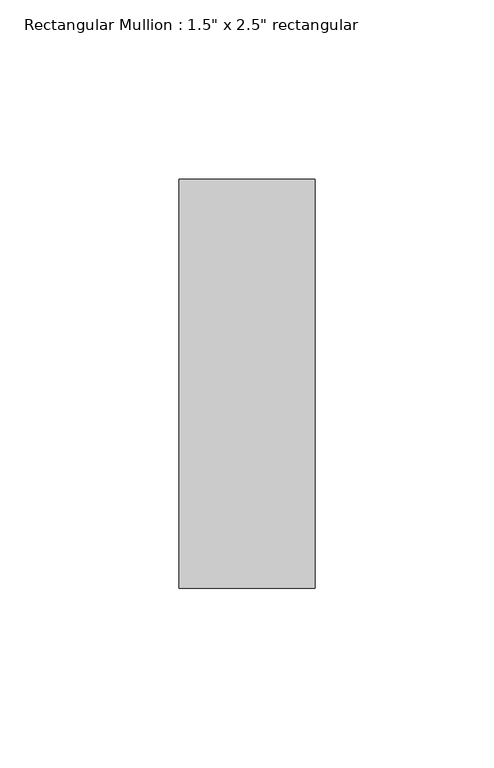
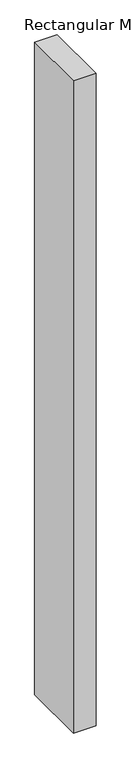
"""IFC4 building model written with IfcOpenShell, lengths in millimetres: member geometry."""

import ifcopenshell
import ifcopenshell.guid

model = None  # the IFC model being written
_history = None  # IfcOwnerHistory: only IFC2X3 demands one
_inside = {}  # id of a spatial element -> (the spatial element, [elements in it])
_under = {}  # id of a project, library or spatial element -> (it, [spatial elements below it])
_declared = {}  # id of a project -> (the project, [libraries it declares])
_typed = {}  # id of a type object -> (the type object, [elements of that type])
_made_of = {}  # id of a material, layer set ... -> (it, [elements and type objects made of it])


def new_model(schema):
    """Start an empty IFC model of exactly this schema.

    Asked for "IFC4X3", IfcOpenShell would pick the latest addendum, in which some entities
    have other attributes; the version numbers below select the first issue.
    IFC2X3 requires an IfcOwnerHistory on every rooted entity: one is made here for all.
    """
    global model, _history
    if schema == "IFC4X3":
        model = ifcopenshell.file(schema_version=(4, 3, 0, 0))
    else:
        model = ifcopenshell.file(schema=schema)
    _inside.clear()
    _under.clear()
    _declared.clear()
    _typed.clear()
    _made_of.clear()
    _history = None
    if model.schema == "IFC2X3":
        org = make("IfcOrganization", Name="unknown")
        user = make(
            "IfcPersonAndOrganization",
            ThePerson=make("IfcPerson", FamilyName="unknown"),
            TheOrganization=org,
        )
        app = make(
            "IfcApplication",
            ApplicationDeveloper=org,
            Version="unknown",
            ApplicationFullName="unknown",
            ApplicationIdentifier="unknown",
        )
        _history = make(
            "IfcOwnerHistory",
            OwningUser=user,
            OwningApplication=app,
            ChangeAction="ADDED",
            CreationDate=0,
        )
    return model


def make(cls, **values):
    """One entity of the class cls with the attributes given. An attribute that is None is left unset."""
    return model.create_entity(
        cls, **{name: value for name, value in values.items() if value is not None}
    )


def rooted(cls, **values):
    """An entity with a GlobalId (a new one), such as an element, a storey or a relation."""
    return make(cls, GlobalId=ifcopenshell.guid.new(), OwnerHistory=_history, **values)


def si_unit(unit_type, name, prefix=None):
    """IfcSIUnit, for example si_unit("LENGTHUNIT", "METRE", prefix="MILLI")."""
    return make("IfcSIUnit", UnitType=unit_type, Prefix=prefix, Name=name)


def assignment(units):
    """IfcUnitAssignment: the units of a project."""
    return None if units is None else make("IfcUnitAssignment", Units=units)


def point(xyz):
    """IfcCartesianPoint."""
    return None if xyz is None else make("IfcCartesianPoint", Coordinates=xyz)


def direction(xyz):
    """IfcDirection."""
    return None if xyz is None else make("IfcDirection", DirectionRatios=xyz)


def frame(location, z_axis=None, x_axis=None):
    """IfcAxis2Placement3D, a coordinate frame: its origin and axes. An axis left out is left unset."""
    return make(
        "IfcAxis2Placement3D",
        Location=point(location),
        Axis=direction(z_axis),
        RefDirection=direction(x_axis),
    )


def origin():
    """The frame at (0, 0, 0) with its axes left unset."""
    return frame((0.0, 0.0, 0.0))


def place(relative_to, where):
    """IfcLocalPlacement: puts the frame where relative to a parent placement (None: the world)."""
    return make(
        "IfcLocalPlacement", PlacementRelTo=relative_to, RelativePlacement=where
    )


def context(
    kind, dimensions, precision=None, world=None, true_north=None, identifier=None
):
    """IfcGeometricRepresentationContext, for example the 3D "Model" context."""
    return make(
        "IfcGeometricRepresentationContext",
        ContextIdentifier=identifier,
        ContextType=kind,
        CoordinateSpaceDimension=dimensions,
        Precision=precision,
        WorldCoordinateSystem=world,
        TrueNorth=true_north,
    )


def project(units=None, contexts=None):
    """IfcProject with its units and contexts."""
    return rooted(
        "IfcProject",
        Name="project",
        RepresentationContexts=contexts,
        UnitsInContext=assignment(units),
    )


def spatial(cls, under=None, at=None, **own):
    """A site, building, storey or space (cls), placed at a placement, below another one or the project."""
    s = rooted(cls, ObjectPlacement=at, **own)
    if under is not None:
        _under.setdefault(under.id(), (under, []))[1].append(s)
    return s


def polyline(points):
    """IfcPolyline through the points."""
    return make("IfcPolyline", Points=[point(p) for p in points])


def outline(outer, holes=None, kind="AREA"):
    """IfcArbitraryClosedProfileDef: a profile drawn as a closed curve; with holes, ...WithVoids."""
    if holes is None:
        return make("IfcArbitraryClosedProfileDef", ProfileType=kind, OuterCurve=outer)
    return make(
        "IfcArbitraryProfileDefWithVoids",
        ProfileType=kind,
        OuterCurve=outer,
        InnerCurves=holes,
    )


def extrude(swept, where, along, depth):
    """IfcExtrudedAreaSolid: the profile swept, set in the frame where, extruded along a direction by depth."""
    return make(
        "IfcExtrudedAreaSolid",
        SweptArea=swept,
        Position=where,
        ExtrudedDirection=direction(along),
        Depth=depth,
    )


def shape(context_of_items, identifier, shape_type, items):
    """IfcShapeRepresentation: the items that make up one representation, for example the "Body"."""
    return make(
        "IfcShapeRepresentation",
        ContextOfItems=context_of_items,
        RepresentationIdentifier=identifier,
        RepresentationType=shape_type,
        Items=items,
    )


def source(mapping_origin, context_of_items, identifier, shape_type, items):
    """IfcRepresentationMap: a shape defined once, which mapped items show again and again."""
    return make(
        "IfcRepresentationMap",
        MappingOrigin=mapping_origin,
        MappedRepresentation=shape(context_of_items, identifier, shape_type, items),
    )


def transform(
    local_origin,
    x_axis=None,
    y_axis=None,
    z_axis=None,
    scale=None,
    scale2=None,
    scale3=None,
    uniform=True,
):
    """IfcCartesianTransformationOperator3D, or its non-uniform kind. x_axis, y_axis, z_axis: its Axis1, 2, 3."""
    if uniform:
        return make(
            "IfcCartesianTransformationOperator3D",
            Axis1=direction(x_axis),
            Axis2=direction(y_axis),
            LocalOrigin=point(local_origin),
            Scale=scale,
            Axis3=direction(z_axis),
        )
    return make(
        "IfcCartesianTransformationOperator3DnonUniform",
        Axis1=direction(x_axis),
        Axis2=direction(y_axis),
        LocalOrigin=point(local_origin),
        Scale=scale,
        Axis3=direction(z_axis),
        Scale2=scale2,
        Scale3=scale3,
    )


def mapped(mapping_source, mapping_target):
    """IfcMappedItem: shows the shape of a source again, moved by a transform."""
    return make(
        "IfcMappedItem", MappingSource=mapping_source, MappingTarget=mapping_target
    )


def made_of(thing, what):
    """Note that an element or type object is made of a material, layer set ...; save() writes the relation."""
    if what is not None:
        _made_of.setdefault(what.id(), (what, []))[1].append(thing)
    return thing


def element(
    cls,
    number,
    at=None,
    inside=None,
    cuts=None,
    type_object=None,
    material=None,
    context=None,
    identifier="Body",
    shape_type=None,
    held_by="IfcProductDefinitionShape",
    body=None,
    shapes=None,
    **own,
):
    """One element of the class cls, such as IfcWall. Its Tag is "e" and its number.

    at: its placement. inside: the storey or other place that contains it. cuts: it is an
    opening in that element (IfcRelVoidsElement). A single representation is given by context,
    identifier, shape_type and body (its items); several are given by shapes. held_by: the class
    of the entity that holds the representations. save() writes the other relations.
    """
    e = rooted(cls, Tag="e%d" % number, ObjectPlacement=at, **own)
    if body is not None:
        shapes = [shape(context, identifier, shape_type, body)]
    if shapes is not None:
        e.Representation = make(held_by, Representations=shapes)
    if inside is not None:
        _inside.setdefault(inside.id(), (inside, []))[1].append(e)
    if cuts is not None:
        rooted(
            "IfcRelVoidsElement", RelatingBuildingElement=cuts, RelatedOpeningElement=e
        )
    if type_object is not None:
        _typed.setdefault(type_object.id(), (type_object, []))[1].append(e)
    return made_of(e, material)


def aggregate(whole, parts):
    """IfcRelAggregates: a whole, such as a stair, and the parts it consists of."""
    return rooted("IfcRelAggregates", RelatingObject=whole, RelatedObjects=parts)


def save(model, path):
    """Write the relations noted so far, then the file.

    IfcRelAggregates (storeys below a building ...), IfcRelContainedInSpatialStructure (elements
    in a storey), IfcRelDefinesByType, IfcRelAssociatesMaterial and IfcRelDeclares: one each for
    every whole, place, type object, material and project.
    """
    for whole, parts in _under.values():
        aggregate(whole, parts)
    for where, things in _inside.values():
        rooted(
            "IfcRelContainedInSpatialStructure",
            RelatedElements=things,
            RelatingStructure=where,
        )
    for kind, things in _typed.values():
        rooted("IfcRelDefinesByType", RelatedObjects=things, RelatingType=kind)
    for what, things in _made_of.values():
        rooted("IfcRelAssociatesMaterial", RelatedObjects=things, RelatingMaterial=what)
    for by, libraries in _declared.values():
        rooted("IfcRelDeclares", RelatingContext=by, RelatedDefinitions=libraries)
    model.write(path)


def member_4cb9e844(model_context):
    return source(origin(), model_context, "Body", "SweptSolid", [
        extrude(outline(polyline([(19.05, 57.15), (19.05, -57.15), (-19.05, -57.15), (-19.05, 57.15), (19.05, 57.15)])), frame((0.0, 0.0, -1173.1625), z_axis=(0.0, 0.0, 1.0), x_axis=(1.0, 0.0, 0.0)), (0.0, 0.0, 1.0), 1173.1625),
    ])


if __name__ == "__main__":
    model = new_model("IFC4")
    model_context = context("Model", 3, world=origin())
    ifc_project = project(units=[si_unit("LENGTHUNIT", "METRE", prefix="MILLI")], contexts=[model_context])
    site = spatial("IfcSite", under=ifc_project)
    building = spatial("IfcBuilding", under=site)
    placement = place(None, origin())
    member_shape = member_4cb9e844(model_context)
    element("IfcMember", 1, ObjectType="Rectangular Mullion : 1.5\" x 2.5\" rectangular", at=placement, inside=building, context=model_context, shape_type="MappedRepresentation", body=[
        mapped(member_shape, transform((0.0, 0.0, 0.0), x_axis=(1.0, 0.0, 0.0), y_axis=(0.0, 1.0, 0.0), z_axis=(0.0, 0.0, 1.0))),
    ])
    save(model, "model.ifc")
